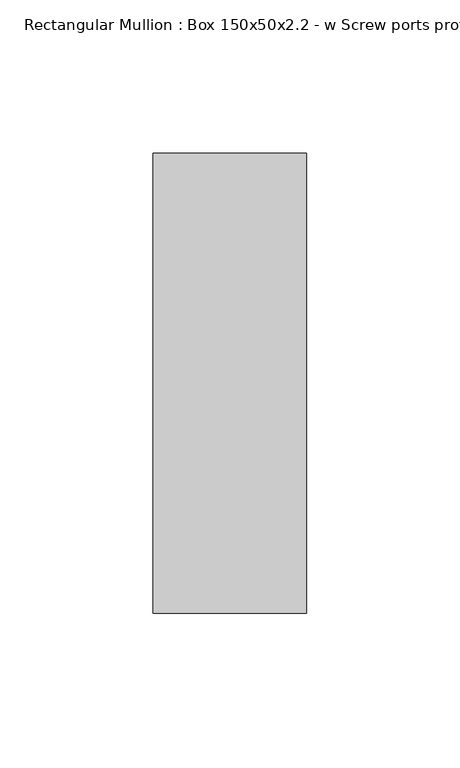
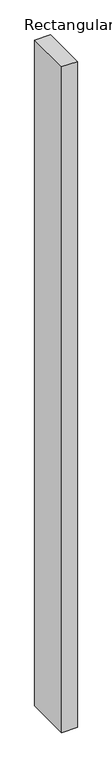
"""IFC4 building model written with IfcOpenShell, lengths in millimetres: member geometry, Rectangular Mullion : Box 150x50x2.2 - w Screw ports profile."""

from ifc_helpers import new_model, si_unit, frame, origin, place, context, project, spatial, polyline, outline, extrude, source, transform, mapped, element, save


def rectangular_mullion_box_150x50x2_2_w_screw_ports_profile_a09e8d58(model_context):
    return source(origin(), model_context, "Body", "SweptSolid", [
        extrude(outline(polyline([(25.0, 75.0), (25.0, -75.0), (-25.0, -75.0), (-25.0, 75.0), (25.0, 75.0)])), frame((0.0, 0.0, -2256.0254236), z_axis=(0.0, 0.0, 1.0), x_axis=(1.0, 0.0, 0.0)), (0.0, 0.0, 1.0), 2256.0254236),
    ])


if __name__ == "__main__":
    model = new_model("IFC4")
    model_context = context("Model", 3, world=origin())
    ifc_project = project(units=[si_unit("LENGTHUNIT", "METRE", prefix="MILLI")], contexts=[model_context])
    site = spatial("IfcSite", under=ifc_project)
    building = spatial("IfcBuilding", under=site)
    placement = place(None, origin())
    rectangular_mullion_box_150x50x2_2_w_screw_ports_profile_shape = rectangular_mullion_box_150x50x2_2_w_screw_ports_profile_a09e8d58(model_context)
    element("IfcMember", 1, ObjectType="Rectangular Mullion : Box 150x50x2.2 - w Screw ports profile", at=placement, inside=building, context=model_context, shape_type="MappedRepresentation", body=[
        mapped(rectangular_mullion_box_150x50x2_2_w_screw_ports_profile_shape, transform((0.0, 0.0, 0.0), x_axis=(1.0, 0.0, 0.0), y_axis=(0.0, 1.0, 0.0), z_axis=(0.0, 0.0, 1.0))),
    ])
    save(model, "model.ifc")
